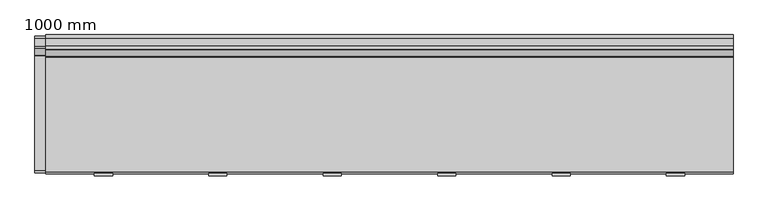
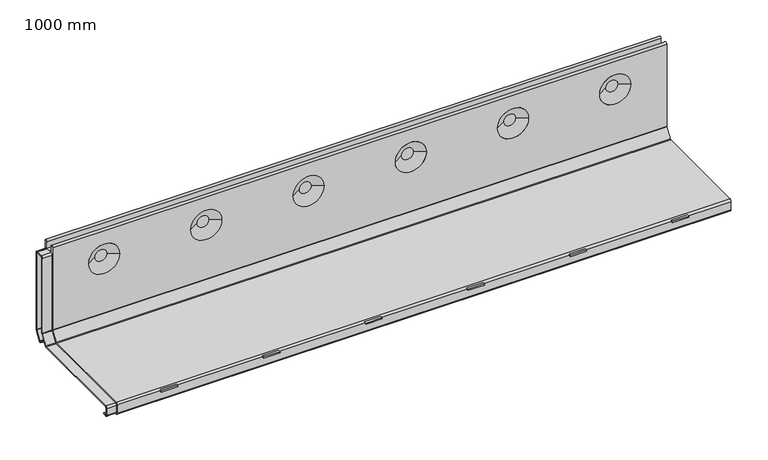
"""IFC4 building model written with IfcOpenShell, lengths in millimetres: proxy geometry, 1000 mm."""

import ifcopenshell
import ifcopenshell.guid

model = None  # the IFC model being written
_history = None  # IfcOwnerHistory: only IFC2X3 demands one
_inside = {}  # id of a spatial element -> (the spatial element, [elements in it])
_under = {}  # id of a project, library or spatial element -> (it, [spatial elements below it])
_declared = {}  # id of a project -> (the project, [libraries it declares])
_typed = {}  # id of a type object -> (the type object, [elements of that type])
_made_of = {}  # id of a material, layer set ... -> (it, [elements and type objects made of it])


def new_model(schema):
    """Start an empty IFC model of exactly this schema.

    Asked for "IFC4X3", IfcOpenShell would pick the latest addendum, in which some entities
    have other attributes; the version numbers below select the first issue.
    IFC2X3 requires an IfcOwnerHistory on every rooted entity: one is made here for all.
    """
    global model, _history
    if schema == "IFC4X3":
        model = ifcopenshell.file(schema_version=(4, 3, 0, 0))
    else:
        model = ifcopenshell.file(schema=schema)
    _inside.clear()
    _under.clear()
    _declared.clear()
    _typed.clear()
    _made_of.clear()
    _history = None
    if model.schema == "IFC2X3":
        org = make("IfcOrganization", Name="unknown")
        user = make(
            "IfcPersonAndOrganization",
            ThePerson=make("IfcPerson", FamilyName="unknown"),
            TheOrganization=org,
        )
        app = make(
            "IfcApplication",
            ApplicationDeveloper=org,
            Version="unknown",
            ApplicationFullName="unknown",
            ApplicationIdentifier="unknown",
        )
        _history = make(
            "IfcOwnerHistory",
            OwningUser=user,
            OwningApplication=app,
            ChangeAction="ADDED",
            CreationDate=0,
        )
    return model


def make(cls, **values):
    """One entity of the class cls with the attributes given. An attribute that is None is left unset."""
    return model.create_entity(
        cls, **{name: value for name, value in values.items() if value is not None}
    )


def rooted(cls, **values):
    """An entity with a GlobalId (a new one), such as an element, a storey or a relation."""
    return make(cls, GlobalId=ifcopenshell.guid.new(), OwnerHistory=_history, **values)


def si_unit(unit_type, name, prefix=None):
    """IfcSIUnit, for example si_unit("LENGTHUNIT", "METRE", prefix="MILLI")."""
    return make("IfcSIUnit", UnitType=unit_type, Prefix=prefix, Name=name)


def assignment(units):
    """IfcUnitAssignment: the units of a project."""
    return None if units is None else make("IfcUnitAssignment", Units=units)


def point(xyz):
    """IfcCartesianPoint."""
    return None if xyz is None else make("IfcCartesianPoint", Coordinates=xyz)


def direction(xyz):
    """IfcDirection."""
    return None if xyz is None else make("IfcDirection", DirectionRatios=xyz)


def frame(location, z_axis=None, x_axis=None):
    """IfcAxis2Placement3D, a coordinate frame: its origin and axes. An axis left out is left unset."""
    return make(
        "IfcAxis2Placement3D",
        Location=point(location),
        Axis=direction(z_axis),
        RefDirection=direction(x_axis),
    )


def frame_2d(location, x_axis=None):
    """IfcAxis2Placement2D, a coordinate frame in the plane: its origin and x axis."""
    return make(
        "IfcAxis2Placement2D", Location=point(location), RefDirection=direction(x_axis)
    )


def origin():
    """The frame at (0, 0, 0) with its axes left unset."""
    return frame((0.0, 0.0, 0.0))


def place(relative_to, where):
    """IfcLocalPlacement: puts the frame where relative to a parent placement (None: the world)."""
    return make(
        "IfcLocalPlacement", PlacementRelTo=relative_to, RelativePlacement=where
    )


def context(
    kind, dimensions, precision=None, world=None, true_north=None, identifier=None
):
    """IfcGeometricRepresentationContext, for example the 3D "Model" context."""
    return make(
        "IfcGeometricRepresentationContext",
        ContextIdentifier=identifier,
        ContextType=kind,
        CoordinateSpaceDimension=dimensions,
        Precision=precision,
        WorldCoordinateSystem=world,
        TrueNorth=true_north,
    )


def project(units=None, contexts=None):
    """IfcProject with its units and contexts."""
    return rooted(
        "IfcProject",
        Name="project",
        RepresentationContexts=contexts,
        UnitsInContext=assignment(units),
    )


def spatial(cls, under=None, at=None, **own):
    """A site, building, storey or space (cls), placed at a placement, below another one or the project."""
    s = rooted(cls, ObjectPlacement=at, **own)
    if under is not None:
        _under.setdefault(under.id(), (under, []))[1].append(s)
    return s


def polyline(points):
    """IfcPolyline through the points."""
    return make("IfcPolyline", Points=[point(p) for p in points])


def circle_curve(where, radius):
    """IfcCircle in the frame where."""
    return make("IfcCircle", Position=where, Radius=radius)


def trimmed(basis, trim1, trim2, sense, master):
    """IfcTrimmedCurve: the piece of a basis curve between two trims."""
    return make(
        "IfcTrimmedCurve",
        BasisCurve=basis,
        Trim1=trim1,
        Trim2=trim2,
        SenseAgreement=sense,
        MasterRepresentation=master,
    )


def segment(curve, same_sense, transition):
    """IfcCompositeCurveSegment."""
    return make(
        "IfcCompositeCurveSegment",
        Transition=transition,
        SameSense=same_sense,
        ParentCurve=curve,
    )


def composite_curve(segments, self_intersect=None):
    """IfcCompositeCurve: segments joined end to end."""
    return make("IfcCompositeCurve", Segments=segments, SelfIntersect=self_intersect)


def outline(outer, holes=None, kind="AREA"):
    """IfcArbitraryClosedProfileDef: a profile drawn as a closed curve; with holes, ...WithVoids."""
    if holes is None:
        return make("IfcArbitraryClosedProfileDef", ProfileType=kind, OuterCurve=outer)
    return make(
        "IfcArbitraryProfileDefWithVoids",
        ProfileType=kind,
        OuterCurve=outer,
        InnerCurves=holes,
    )


def extrude(swept, where, along, depth):
    """IfcExtrudedAreaSolid: the profile swept, set in the frame where, extruded along a direction by depth."""
    return make(
        "IfcExtrudedAreaSolid",
        SweptArea=swept,
        Position=where,
        ExtrudedDirection=direction(along),
        Depth=depth,
    )


def shape(context_of_items, identifier, shape_type, items):
    """IfcShapeRepresentation: the items that make up one representation, for example the "Body"."""
    return make(
        "IfcShapeRepresentation",
        ContextOfItems=context_of_items,
        RepresentationIdentifier=identifier,
        RepresentationType=shape_type,
        Items=items,
    )


def source(mapping_origin, context_of_items, identifier, shape_type, items):
    """IfcRepresentationMap: a shape defined once, which mapped items show again and again."""
    return make(
        "IfcRepresentationMap",
        MappingOrigin=mapping_origin,
        MappedRepresentation=shape(context_of_items, identifier, shape_type, items),
    )


def transform(
    local_origin,
    x_axis=None,
    y_axis=None,
    z_axis=None,
    scale=None,
    scale2=None,
    scale3=None,
    uniform=True,
):
    """IfcCartesianTransformationOperator3D, or its non-uniform kind. x_axis, y_axis, z_axis: its Axis1, 2, 3."""
    if uniform:
        return make(
            "IfcCartesianTransformationOperator3D",
            Axis1=direction(x_axis),
            Axis2=direction(y_axis),
            LocalOrigin=point(local_origin),
            Scale=scale,
            Axis3=direction(z_axis),
        )
    return make(
        "IfcCartesianTransformationOperator3DnonUniform",
        Axis1=direction(x_axis),
        Axis2=direction(y_axis),
        LocalOrigin=point(local_origin),
        Scale=scale,
        Axis3=direction(z_axis),
        Scale2=scale2,
        Scale3=scale3,
    )


def mapped(mapping_source, mapping_target):
    """IfcMappedItem: shows the shape of a source again, moved by a transform."""
    return make(
        "IfcMappedItem", MappingSource=mapping_source, MappingTarget=mapping_target
    )


def made_of(thing, what):
    """Note that an element or type object is made of a material, layer set ...; save() writes the relation."""
    if what is not None:
        _made_of.setdefault(what.id(), (what, []))[1].append(thing)
    return thing


def element(
    cls,
    number,
    at=None,
    inside=None,
    cuts=None,
    type_object=None,
    material=None,
    context=None,
    identifier="Body",
    shape_type=None,
    held_by="IfcProductDefinitionShape",
    body=None,
    shapes=None,
    **own,
):
    """One element of the class cls, such as IfcWall. Its Tag is "e" and its number.

    at: its placement. inside: the storey or other place that contains it. cuts: it is an
    opening in that element (IfcRelVoidsElement). A single representation is given by context,
    identifier, shape_type and body (its items); several are given by shapes. held_by: the class
    of the entity that holds the representations. save() writes the other relations.
    """
    e = rooted(cls, Tag="e%d" % number, ObjectPlacement=at, **own)
    if body is not None:
        shapes = [shape(context, identifier, shape_type, body)]
    if shapes is not None:
        e.Representation = make(held_by, Representations=shapes)
    if inside is not None:
        _inside.setdefault(inside.id(), (inside, []))[1].append(e)
    if cuts is not None:
        rooted(
            "IfcRelVoidsElement", RelatingBuildingElement=cuts, RelatedOpeningElement=e
        )
    if type_object is not None:
        _typed.setdefault(type_object.id(), (type_object, []))[1].append(e)
    return made_of(e, material)


def aggregate(whole, parts):
    """IfcRelAggregates: a whole, such as a stair, and the parts it consists of."""
    return rooted("IfcRelAggregates", RelatingObject=whole, RelatedObjects=parts)


def save(model, path):
    """Write the relations noted so far, then the file.

    IfcRelAggregates (storeys below a building ...), IfcRelContainedInSpatialStructure (elements
    in a storey), IfcRelDefinesByType, IfcRelAssociatesMaterial and IfcRelDeclares: one each for
    every whole, place, type object, material and project.
    """
    for whole, parts in _under.values():
        aggregate(whole, parts)
    for where, things in _inside.values():
        rooted(
            "IfcRelContainedInSpatialStructure",
            RelatedElements=things,
            RelatingStructure=where,
        )
    for kind, things in _typed.values():
        rooted("IfcRelDefinesByType", RelatedObjects=things, RelatingType=kind)
    for what, things in _made_of.values():
        rooted("IfcRelAssociatesMaterial", RelatedObjects=things, RelatingMaterial=what)
    for by, libraries in _declared.values():
        rooted("IfcRelDeclares", RelatingContext=by, RelatedDefinitions=libraries)
    model.write(path)


def plane_surface(at):
    """IfcPlane: the flat surface through the origin of the frame at, square to its z axis."""
    return make("IfcPlane", Position=at)


def cylinder_surface(at, radius):
    """IfcCylindricalSurface: all points at the distance radius from the z axis of the frame at."""
    return make("IfcCylindricalSurface", Position=at, Radius=radius)


def revolved_surface(curve, axis_point, axis_direction):
    """IfcSurfaceOfRevolution: the curve turned about the line through axis_point along axis_direction."""
    return make(
        "IfcSurfaceOfRevolution",
        SweptCurve=make("IfcArbitraryOpenProfileDef", ProfileType="CURVE", Curve=curve),
        AxisPosition=make("IfcAxis1Placement", Location=point(axis_point), Axis=direction(axis_direction)),
    )


def advanced_brep(points, edges, surfaces, faces):
    """IfcAdvancedBrep: a solid bounded by faces that lie on surfaces and meet in shared edges.

    An edge is (start, end): straight between two places in points (the first is 0);
    or (start, end, curve); or (start, end, curve, False) where it runs against its curve.
    A face is (place in surfaces, loops), or (place, loops, False) where it looks against
    its surface's normal. A loop lists edges by number (the first is 1), with a minus sign
    where the edge is run from its end to its start. The first loop is the outer one.
    """
    corners = [point(p) for p in points]
    vertices = [make("IfcVertexPoint", VertexGeometry=c) for c in corners]
    made = []
    for start, end, *more in edges:
        made.append(
            make(
                "IfcEdgeCurve",
                EdgeStart=vertices[start],
                EdgeEnd=vertices[end],
                EdgeGeometry=more[0] if more else make("IfcPolyline", Points=[corners[start], corners[end]]),
                SameSense=more[1] if len(more) > 1 else True,
            )
        )
    hull = []
    for where, loops, *sense in faces:
        bounds = []
        for j, loop in enumerate(loops):
            ring = [make("IfcOrientedEdge", EdgeElement=made[abs(k) - 1], Orientation=k > 0) for k in loop]
            bounds.append(
                make(
                    "IfcFaceOuterBound" if j == 0 else "IfcFaceBound",
                    Bound=make("IfcEdgeLoop", EdgeList=ring),
                    Orientation=True,
                )
            )
        hull.append(make("IfcAdvancedFace", Bounds=bounds, FaceSurface=surfaces[where], SameSense=sense[0] if sense else True))
    return make("IfcAdvancedBrep", Outer=make("IfcClosedShell", CfsFaces=hull))


def proxy_1000_mm_56d2d7e8(model_context):
    return source(origin(), model_context, "Body", "SolidModel", [
        extrude(outline(polyline([(734.75, -77.0), (732.75, -77.0), (732.75, 69.0), (734.75, 69.0), (734.75, -77.0)])), frame((0.0, 0.0, -28.5), z_axis=(0.0, 0.0, 1.0), x_axis=(1.0, 0.0, 0.0)), (0.0, 0.0, 1.0), 9.5),
        extrude(outline(polyline([(766.75, -77.0), (764.75, -77.0), (764.75, 69.0), (766.75, 69.0), (766.75, -77.0)])), frame((0.0, 0.0, -28.5), z_axis=(0.0, 0.0, 1.0), x_axis=(1.0, 0.0, 0.0)), (0.0, 0.0, 1.0), 9.5),
        extrude(outline(polyline([(763.0, -103.0), (736.5, -103.0), (736.5, -95.5), (763.0, -95.5), (763.0, -103.0)])), frame((0.0, 0.0, -3.6940506), z_axis=(0.0, 0.0, 1.0), x_axis=(1.0, 0.0, 0.0)), (0.0, 0.0, 1.0), 2.1940506),
        extrude(outline(polyline([(568.25, -77.0), (566.25, -77.0), (566.25, 69.0), (568.25, 69.0), (568.25, -77.0)])), frame((0.0, 0.0, -28.5), z_axis=(0.0, 0.0, 1.0), x_axis=(1.0, 0.0, 0.0)), (0.0, 0.0, 1.0), 9.5),
        extrude(outline(polyline([(600.25, -77.0), (598.25, -77.0), (598.25, 69.0), (600.25, 69.0), (600.25, -77.0)])), frame((0.0, 0.0, -28.5), z_axis=(0.0, 0.0, 1.0), x_axis=(1.0, 0.0, 0.0)), (0.0, 0.0, 1.0), 9.5),
        extrude(outline(polyline([(596.5, -103.0), (570.0, -103.0), (570.0, -95.5), (596.5, -95.5), (596.5, -103.0)])), frame((0.0, 0.0, -3.6940506), z_axis=(0.0, 0.0, 1.0), x_axis=(1.0, 0.0, 0.0)), (0.0, 0.0, 1.0), 2.1940506),
        extrude(outline(polyline([(401.75, -77.0), (399.75, -77.0), (399.75, 69.0), (401.75, 69.0), (401.75, -77.0)])), frame((0.0, 0.0, -28.5), z_axis=(0.0, 0.0, 1.0), x_axis=(1.0, 0.0, 0.0)), (0.0, 0.0, 1.0), 9.5),
        extrude(outline(polyline([(433.75, -77.0), (431.75, -77.0), (431.75, 69.0), (433.75, 69.0), (433.75, -77.0)])), frame((0.0, 0.0, -28.5), z_axis=(0.0, 0.0, 1.0), x_axis=(1.0, 0.0, 0.0)), (0.0, 0.0, 1.0), 9.5),
        extrude(outline(polyline([(430.0, -103.0), (403.5, -103.0), (403.5, -95.5), (430.0, -95.5), (430.0, -103.0)])), frame((0.0, 0.0, -3.6940506), z_axis=(0.0, 0.0, 1.0), x_axis=(1.0, 0.0, 0.0)), (0.0, 0.0, 1.0), 2.1940506),
        extrude(outline(polyline([(235.25, -77.0), (233.25, -77.0), (233.25, 69.0), (235.25, 69.0), (235.25, -77.0)])), frame((0.0, 0.0, -28.5), z_axis=(0.0, 0.0, 1.0), x_axis=(1.0, 0.0, 0.0)), (0.0, 0.0, 1.0), 9.5),
        extrude(outline(polyline([(267.25, -77.0), (265.25, -77.0), (265.25, 69.0), (267.25, 69.0), (267.25, -77.0)])), frame((0.0, 0.0, -28.5), z_axis=(0.0, 0.0, 1.0), x_axis=(1.0, 0.0, 0.0)), (0.0, 0.0, 1.0), 9.5),
        extrude(outline(polyline([(263.5, -103.0), (237.0, -103.0), (237.0, -95.5), (263.5, -95.5), (263.5, -103.0)])), frame((0.0, 0.0, -3.6940506), z_axis=(0.0, 0.0, 1.0), x_axis=(1.0, 0.0, 0.0)), (0.0, 0.0, 1.0), 2.1940506),
        extrude(outline(polyline([(901.25, -77.0), (899.25, -77.0), (899.25, 69.0), (901.25, 69.0), (901.25, -77.0)])), frame((0.0, 0.0, -28.5), z_axis=(0.0, 0.0, 1.0), x_axis=(1.0, 0.0, 0.0)), (0.0, 0.0, 1.0), 9.5),
        extrude(outline(polyline([(933.25, -77.0), (931.25, -77.0), (931.25, 69.0), (933.25, 69.0), (933.25, -77.0)])), frame((0.0, 0.0, -28.5), z_axis=(0.0, 0.0, 1.0), x_axis=(1.0, 0.0, 0.0)), (0.0, 0.0, 1.0), 9.5),
        extrude(outline(polyline([(929.5, -103.0), (903.0, -103.0), (903.0, -95.5), (929.5, -95.5), (929.5, -103.0)])), frame((0.0, 0.0, -3.6940506), z_axis=(0.0, 0.0, 1.0), x_axis=(1.0, 0.0, 0.0)), (0.0, 0.0, 1.0), 2.1940506),
        extrude(outline(polyline([(68.75, -77.0), (66.75, -77.0), (66.75, 69.0), (68.75, 69.0), (68.75, -77.0)])), frame((0.0, 0.0, -28.5), z_axis=(0.0, 0.0, 1.0), x_axis=(1.0, 0.0, 0.0)), (0.0, 0.0, 1.0), 9.5),
        extrude(outline(polyline([(100.75, -77.0), (98.75, -77.0), (98.75, 69.0), (100.75, 69.0), (100.75, -77.0)])), frame((0.0, 0.0, -28.5), z_axis=(0.0, 0.0, 1.0), x_axis=(1.0, 0.0, 0.0)), (0.0, 0.0, 1.0), 9.5),
        extrude(outline(polyline([(97.0, -103.0), (70.5, -103.0), (70.5, -95.5), (97.0, -95.5), (97.0, -103.0)])), frame((0.0, 0.0, -3.6940506), z_axis=(0.0, 0.0, 1.0), x_axis=(1.0, 0.0, 0.0)), (0.0, 0.0, 1.0), 2.1940506),
        advanced_brep(
        [(0.0, -83.5, -20.5), (0.0, -97.0, -20.5), (0.0, -100.0, -17.5), (0.0, -100.0, -3.0), (0.0, -97.0, 0.0), (0.0, 70.3541436, 0.0), (0.0, 71.6192308, 0.6940506), (0.0, 81.2650872, 15.8350122), (0.0, 81.5, 16.6409616), (0.0, 81.5, 157.745), (0.0, 86.01, 157.745), (0.0, 86.01, 146.8), (0.0, 97.99, 146.8), (0.0, 97.99, 157.7453869), (0.0, 102.5, 157.7453869), (0.0, 102.5, 11.767597), (0.0, 102.0301743, 10.1556982), (0.0, 92.2913074, -5.1312607), (0.0, 92.0563946, -5.9372101), (0.0, 92.0563946, -17.5), (0.0, 89.0563946, -20.5), (0.0, 75.0563946, -20.5), (0.0, 75.0563946, -19.0), (0.0, -83.5, -19.0), (1000.0, -83.5, -20.5), (1000.0, -83.5, -19.0), (1000.0, 75.0563946, -19.0), (1000.0, 75.0563946, -20.5), (1000.0, 89.0563946, -20.5), (1000.0, 92.0563946, -17.5), (1000.0, 92.0563946, -5.9372101), (1000.0, 92.2913074, -5.1312607), (1000.0, 102.0301743, 10.1556982), (1000.0, 102.5, 11.767597), (1000.0, 102.5, 157.7453869), (1000.0, 97.99, 157.7453869), (1000.0, 97.99, 146.8), (1000.0, 86.01, 146.8), (1000.0, 86.01, 157.745), (1000.0, 81.5, 157.745), (1000.0, 81.5, 16.6409616), (1000.0, 81.2650872, 15.8350122), (1000.0, 71.6192308, 0.6940506), (1000.0, 70.3541436, 0.0), (1000.0, -97.0, 0.0), (1000.0, -100.0, -3.0), (1000.0, -100.0, -17.5), (1000.0, -97.0, -20.5), (58.4993164, 102.5, 109.3137619), (109.0006836, 102.5, 109.3137619), (890.9993164, 102.5, 109.3137619), (941.5006836, 102.5, 109.3137619), (224.9993164, 102.5, 109.3137619), (275.5006836, 102.5, 109.3137619), (391.4993164, 102.5, 109.3137619), (442.0006836, 102.5, 109.3137619), (557.9993164, 102.5, 109.3137619), (608.5006836, 102.5, 109.3137619), (724.4993164, 102.5, 109.3137619), (775.0006836, 102.5, 109.3137619), (109.0006836, 81.5, 109.3137619), (58.4993164, 81.5, 109.3137619), (941.5006836, 81.5, 109.3137619), (890.9993164, 81.5, 109.3137619), (275.5006836, 81.5, 109.3137619), (224.9993164, 81.5, 109.3137619), (442.0006836, 81.5, 109.3137619), (391.4993164, 81.5, 109.3137619), (608.5006836, 81.5, 109.3137619), (557.9993164, 81.5, 109.3137619), (775.0006836, 81.5, 109.3137619), (724.4993164, 81.5, 109.3137619), (74.1699511, 91.1172432, 109.3137619), (93.3300489, 91.1172432, 109.3137619), (906.6699511, 91.1172432, 109.3137619), (925.8300489, 91.1172432, 109.3137619), (240.6699511, 91.1172432, 109.3137619), (259.8300489, 91.1172432, 109.3137619), (407.1699511, 91.1172432, 109.3137619), (426.3300489, 91.1172432, 109.3137619), (573.6699511, 91.1172432, 109.3137619), (592.8300489, 91.1172432, 109.3137619), (740.1699511, 91.1172432, 109.3137619), (759.3300489, 91.1172432, 109.3137619), (74.1699511, 92.8827568, 109.3137619), (93.3300489, 92.8827568, 109.3137619), (906.6699511, 92.8827568, 109.3137619), (925.8300489, 92.8827568, 109.3137619), (240.6699511, 92.8827568, 109.3137619), (259.8300489, 92.8827568, 109.3137619), (407.1699511, 92.8827568, 109.3137619), (426.3300489, 92.8827568, 109.3137619), (573.6699511, 92.8827568, 109.3137619), (592.8300489, 92.8827568, 109.3137619), (740.1699511, 92.8827568, 109.3137619), (759.3300489, 92.8827568, 109.3137619)],
        [
            (0, 1),
            (1, 2, circle_curve(frame((0.0, -97.0, -17.5), z_axis=(-1.0, 0.0, 0.0), x_axis=(0.0, 1.0, 0.0)), 3.0)),
            (2, 3),
            (3, 4, circle_curve(frame((0.0, -97.0, -3.0), z_axis=(-1.0, 0.0, 0.0), x_axis=(0.0, 1.0, 0.0)), 3.0)),
            (4, 5),
            (5, 6, circle_curve(frame((0.0, 70.3541436, 1.5), z_axis=(1.0, 0.0, 0.0), x_axis=(0.0, 1.0, 0.0)), 1.5)),
            (6, 7),
            (7, 8, circle_curve(frame((0.0, 80.0, 16.6409616), z_axis=(1.0, 0.0, 0.0), x_axis=(0.0, 1.0, 0.0)), 1.5)),
            (8, 9),
            (9, 10, circle_curve(frame((0.0, 83.755, 157.745), z_axis=(-1.0, 0.0, 0.0), x_axis=(0.0, 1.0, 0.0)), 2.255)),
            (10, 11),
            (11, 12),
            (12, 13),
            (13, 14, circle_curve(frame((0.0, 100.245, 157.7453869), z_axis=(-1.0, 0.0, 0.0), x_axis=(0.0, 1.0, 0.0)), 2.255)),
            (14, 15),
            (15, 16, circle_curve(frame((0.0, 99.5, 11.767597), z_axis=(-1.0, 0.0, 0.0), x_axis=(0.0, 1.0, 0.0)), 3.0)),
            (16, 17),
            (17, 18, circle_curve(frame((0.0, 93.5563946, -5.9372101), z_axis=(1.0, 0.0, 0.0), x_axis=(0.0, 1.0, 0.0)), 1.5)),
            (18, 19),
            (19, 20, circle_curve(frame((0.0, 89.0563946, -17.5), z_axis=(-1.0, 0.0, 0.0), x_axis=(0.0, 1.0, 0.0)), 3.0)),
            (20, 21),
            (21, 22),
            (22, 23),
            (23, 0),
            (24, 25),
            (25, 26),
            (26, 27),
            (27, 28),
            (28, 29, circle_curve(frame((1000.0, 89.0563946, -17.5), z_axis=(1.0, 0.0, 0.0), x_axis=(0.0, 1.0, 0.0)), 3.0)),
            (29, 30),
            (30, 31, circle_curve(frame((1000.0, 93.5563946, -5.9372101), z_axis=(-1.0, 0.0, 0.0), x_axis=(0.0, 1.0, 0.0)), 1.5)),
            (31, 32),
            (32, 33, circle_curve(frame((1000.0, 99.5, 11.767597), z_axis=(1.0, 0.0, 0.0), x_axis=(0.0, 1.0, 0.0)), 3.0)),
            (33, 34),
            (34, 35, circle_curve(frame((1000.0, 100.245, 157.7453869), z_axis=(1.0, 0.0, 0.0), x_axis=(0.0, 1.0, 0.0)), 2.255)),
            (35, 36),
            (36, 37),
            (37, 38),
            (38, 39, circle_curve(frame((1000.0, 83.755, 157.745), z_axis=(1.0, 0.0, 0.0), x_axis=(0.0, 1.0, 0.0)), 2.255)),
            (39, 40),
            (40, 41, circle_curve(frame((1000.0, 80.0, 16.6409616), z_axis=(-1.0, 0.0, 0.0), x_axis=(0.0, 1.0, 0.0)), 1.5)),
            (41, 42),
            (42, 43, circle_curve(frame((1000.0, 70.3541436, 1.5), z_axis=(-1.0, 0.0, 0.0), x_axis=(0.0, 1.0, 0.0)), 1.5)),
            (43, 44),
            (44, 45, circle_curve(frame((1000.0, -97.0, -3.0), z_axis=(1.0, 0.0, 0.0), x_axis=(0.0, 1.0, 0.0)), 3.0)),
            (45, 46),
            (46, 47, circle_curve(frame((1000.0, -97.0, -17.5), z_axis=(1.0, 0.0, 0.0), x_axis=(0.0, 1.0, 0.0)), 3.0)),
            (47, 24),
            (21, 27),
            (26, 22),
            (20, 28),
            (19, 29),
            (18, 30),
            (17, 31),
            (16, 32),
            (15, 33),
            (14, 34),
            (48, 49, circle_curve(frame((83.75, 102.5, 109.3137619), z_axis=(0.0, -1.0, 0.0), x_axis=(1.0, 0.0, 0.0)), 25.2506836)),
            (49, 48, circle_curve(frame((83.75, 102.5, 109.3137619), z_axis=(0.0, -1.0, 0.0), x_axis=(-1.0, 0.0, 0.0)), 25.2506836)),
            (50, 51, circle_curve(frame((916.25, 102.5, 109.3137619), z_axis=(0.0, -1.0, 0.0), x_axis=(1.0, 0.0, 0.0)), 25.2506836)),
            (51, 50, circle_curve(frame((916.25, 102.5, 109.3137619), z_axis=(0.0, -1.0, 0.0), x_axis=(-1.0, 0.0, 0.0)), 25.2506836)),
            (52, 53, circle_curve(frame((250.25, 102.5, 109.3137619), z_axis=(0.0, -1.0, 0.0), x_axis=(1.0, 0.0, 0.0)), 25.2506836)),
            (53, 52, circle_curve(frame((250.25, 102.5, 109.3137619), z_axis=(0.0, -1.0, 0.0), x_axis=(-1.0, 0.0, 0.0)), 25.2506836)),
            (54, 55, circle_curve(frame((416.75, 102.5, 109.3137619), z_axis=(0.0, -1.0, 0.0), x_axis=(1.0, 0.0, 0.0)), 25.2506836)),
            (55, 54, circle_curve(frame((416.75, 102.5, 109.3137619), z_axis=(0.0, -1.0, 0.0), x_axis=(-1.0, 0.0, 0.0)), 25.2506836)),
            (56, 57, circle_curve(frame((583.25, 102.5, 109.3137619), z_axis=(0.0, -1.0, 0.0), x_axis=(1.0, 0.0, 0.0)), 25.2506836)),
            (57, 56, circle_curve(frame((583.25, 102.5, 109.3137619), z_axis=(0.0, -1.0, 0.0), x_axis=(-1.0, 0.0, 0.0)), 25.2506836)),
            (58, 59, circle_curve(frame((749.75, 102.5, 109.3137619), z_axis=(0.0, -1.0, 0.0), x_axis=(1.0, 0.0, 0.0)), 25.2506836)),
            (59, 58, circle_curve(frame((749.75, 102.5, 109.3137619), z_axis=(0.0, -1.0, 0.0), x_axis=(-1.0, 0.0, 0.0)), 25.2506836)),
            (13, 35),
            (12, 36),
            (11, 37),
            (10, 38),
            (9, 39),
            (8, 40),
            (60, 61, circle_curve(frame((83.75, 81.5, 109.3137619), z_axis=(0.0, 1.0, 0.0), x_axis=(-1.0, 0.0, 0.0)), 25.2506836)),
            (61, 60, circle_curve(frame((83.75, 81.5, 109.3137619), z_axis=(0.0, 1.0, 0.0), x_axis=(1.0, 0.0, 0.0)), 25.2506836)),
            (62, 63, circle_curve(frame((916.25, 81.5, 109.3137619), z_axis=(0.0, 1.0, 0.0), x_axis=(-1.0, 0.0, 0.0)), 25.2506836)),
            (63, 62, circle_curve(frame((916.25, 81.5, 109.3137619), z_axis=(0.0, 1.0, 0.0), x_axis=(1.0, 0.0, 0.0)), 25.2506836)),
            (64, 65, circle_curve(frame((250.25, 81.5, 109.3137619), z_axis=(0.0, 1.0, 0.0), x_axis=(-1.0, 0.0, 0.0)), 25.2506836)),
            (65, 64, circle_curve(frame((250.25, 81.5, 109.3137619), z_axis=(0.0, 1.0, 0.0), x_axis=(1.0, 0.0, 0.0)), 25.2506836)),
            (66, 67, circle_curve(frame((416.75, 81.5, 109.3137619), z_axis=(0.0, 1.0, 0.0), x_axis=(-1.0, 0.0, 0.0)), 25.2506836)),
            (67, 66, circle_curve(frame((416.75, 81.5, 109.3137619), z_axis=(0.0, 1.0, 0.0), x_axis=(1.0, 0.0, 0.0)), 25.2506836)),
            (68, 69, circle_curve(frame((583.25, 81.5, 109.3137619), z_axis=(0.0, 1.0, 0.0), x_axis=(-1.0, 0.0, 0.0)), 25.2506836)),
            (69, 68, circle_curve(frame((583.25, 81.5, 109.3137619), z_axis=(0.0, 1.0, 0.0), x_axis=(1.0, 0.0, 0.0)), 25.2506836)),
            (70, 71, circle_curve(frame((749.75, 81.5, 109.3137619), z_axis=(0.0, 1.0, 0.0), x_axis=(-1.0, 0.0, 0.0)), 25.2506836)),
            (71, 70, circle_curve(frame((749.75, 81.5, 109.3137619), z_axis=(0.0, 1.0, 0.0), x_axis=(1.0, 0.0, 0.0)), 25.2506836)),
            (7, 41),
            (6, 42),
            (5, 43),
            (4, 44),
            (3, 45),
            (2, 46),
            (1, 47),
            (0, 24),
            (23, 25),
            (72, 73, circle_curve(frame((83.75, 91.1172432, 109.3137619), z_axis=(0.0, -1.0, 0.0), x_axis=(-1.0, 0.0, 0.0)), 9.5800489)),
            (73, 72, circle_curve(frame((83.75, 91.1172432, 109.3137619), z_axis=(0.0, -1.0, 0.0), x_axis=(1.0, 0.0, 0.0)), 9.5800489)),
            (72, 61),
            (60, 73),
            (74, 75, circle_curve(frame((916.25, 91.1172432, 109.3137619), z_axis=(0.0, -1.0, 0.0), x_axis=(-1.0, 0.0, 0.0)), 9.5800489)),
            (75, 74, circle_curve(frame((916.25, 91.1172432, 109.3137619), z_axis=(0.0, -1.0, 0.0), x_axis=(1.0, 0.0, 0.0)), 9.5800489)),
            (74, 63),
            (62, 75),
            (76, 77, circle_curve(frame((250.25, 91.1172432, 109.3137619), z_axis=(0.0, -1.0, 0.0), x_axis=(-1.0, 0.0, 0.0)), 9.5800489)),
            (77, 76, circle_curve(frame((250.25, 91.1172432, 109.3137619), z_axis=(0.0, -1.0, 0.0), x_axis=(1.0, 0.0, 0.0)), 9.5800489)),
            (76, 65),
            (64, 77),
            (78, 79, circle_curve(frame((416.75, 91.1172432, 109.3137619), z_axis=(0.0, -1.0, 0.0), x_axis=(-1.0, 0.0, 0.0)), 9.5800489)),
            (79, 78, circle_curve(frame((416.75, 91.1172432, 109.3137619), z_axis=(0.0, -1.0, 0.0), x_axis=(1.0, 0.0, 0.0)), 9.5800489)),
            (78, 67),
            (66, 79),
            (80, 81, circle_curve(frame((583.25, 91.1172432, 109.3137619), z_axis=(0.0, -1.0, 0.0), x_axis=(-1.0, 0.0, 0.0)), 9.5800489)),
            (81, 80, circle_curve(frame((583.25, 91.1172432, 109.3137619), z_axis=(0.0, -1.0, 0.0), x_axis=(1.0, 0.0, 0.0)), 9.5800489)),
            (80, 69),
            (68, 81),
            (82, 83, circle_curve(frame((749.75, 91.1172432, 109.3137619), z_axis=(0.0, -1.0, 0.0), x_axis=(-1.0, 0.0, 0.0)), 9.5800489)),
            (83, 82, circle_curve(frame((749.75, 91.1172432, 109.3137619), z_axis=(0.0, -1.0, 0.0), x_axis=(1.0, 0.0, 0.0)), 9.5800489)),
            (82, 71),
            (70, 83),
            (84, 85, circle_curve(frame((83.75, 92.8827568, 109.3137619), z_axis=(0.0, 1.0, 0.0), x_axis=(-1.0, 0.0, 0.0)), 9.5800489)),
            (85, 84, circle_curve(frame((83.75, 92.8827568, 109.3137619), z_axis=(0.0, 1.0, 0.0), x_axis=(1.0, 0.0, 0.0)), 9.5800489)),
            (85, 49),
            (48, 84),
            (86, 87, circle_curve(frame((916.25, 92.8827568, 109.3137619), z_axis=(0.0, 1.0, 0.0), x_axis=(-1.0, 0.0, 0.0)), 9.5800489)),
            (87, 86, circle_curve(frame((916.25, 92.8827568, 109.3137619), z_axis=(0.0, 1.0, 0.0), x_axis=(1.0, 0.0, 0.0)), 9.5800489)),
            (87, 51),
            (50, 86),
            (88, 89, circle_curve(frame((250.25, 92.8827568, 109.3137619), z_axis=(0.0, 1.0, 0.0), x_axis=(-1.0, 0.0, 0.0)), 9.5800489)),
            (89, 88, circle_curve(frame((250.25, 92.8827568, 109.3137619), z_axis=(0.0, 1.0, 0.0), x_axis=(1.0, 0.0, 0.0)), 9.5800489)),
            (89, 53),
            (52, 88),
            (90, 91, circle_curve(frame((416.75, 92.8827568, 109.3137619), z_axis=(0.0, 1.0, 0.0), x_axis=(-1.0, 0.0, 0.0)), 9.5800489)),
            (91, 90, circle_curve(frame((416.75, 92.8827568, 109.3137619), z_axis=(0.0, 1.0, 0.0), x_axis=(1.0, 0.0, 0.0)), 9.5800489)),
            (91, 55),
            (54, 90),
            (92, 93, circle_curve(frame((583.25, 92.8827568, 109.3137619), z_axis=(0.0, 1.0, 0.0), x_axis=(-1.0, 0.0, 0.0)), 9.5800489)),
            (93, 92, circle_curve(frame((583.25, 92.8827568, 109.3137619), z_axis=(0.0, 1.0, 0.0), x_axis=(1.0, 0.0, 0.0)), 9.5800489)),
            (93, 57),
            (56, 92),
            (94, 95, circle_curve(frame((749.75, 92.8827568, 109.3137619), z_axis=(0.0, 1.0, 0.0), x_axis=(-1.0, 0.0, 0.0)), 9.5800489)),
            (95, 94, circle_curve(frame((749.75, 92.8827568, 109.3137619), z_axis=(0.0, 1.0, 0.0), x_axis=(1.0, 0.0, 0.0)), 9.5800489)),
            (95, 59),
            (58, 94),
        ],
        [
            plane_surface(frame((0.0, -83.5, -20.5), z_axis=(-1.0, 0.0, 0.0), x_axis=(0.0, 0.0, -1.0))),
            plane_surface(frame((1000.0, -83.5, -20.5), z_axis=(1.0, 0.0, 0.0), x_axis=(0.0, 0.0, 1.0))),
            plane_surface(frame((1000.0, 75.0563946, -19.0), z_axis=(0.0, -1.0, 0.0), x_axis=(-1.0, 0.0, 0.0))),
            plane_surface(frame((1000.0, 75.0563946, -20.5), z_axis=(0.0, 0.0, -1.0), x_axis=(-1.0, 0.0, 0.0))),
            cylinder_surface(frame((0.0, 89.0563946, -17.5), z_axis=(1.0, 0.0, 0.0), x_axis=(0.0, 1.0, 0.0)), 3.0),
            plane_surface(frame((1000.0, 92.0563946, -17.5), z_axis=(0.0, 1.0, 0.0), x_axis=(-1.0, 0.0, 0.0))),
            revolved_surface(polyline([(0.0, 95.0563946, -5.9372101), (1000.0, 95.0563946, -5.9372101)]), (0.0, 93.5563946, -5.9372101), (-1.0, 0.0, 0.0)),
            plane_surface(frame((1000.0, 92.2913074, -5.1312607), z_axis=(0.0, 0.8433914458128959, -0.5372996083468078), x_axis=(-1.0, 0.0, 0.0))),
            cylinder_surface(frame((0.0, 99.5, 11.767597), z_axis=(1.0, 0.0, 0.0), x_axis=(0.0, 1.0, 0.0)), 3.0),
            plane_surface(frame((1000.0, 102.5, 11.767597), z_axis=(0.0, 1.0, 0.0), x_axis=(-1.0, 0.0, 0.0))),
            cylinder_surface(frame((0.0, 100.245, 157.7453869), z_axis=(1.0, 0.0, 0.0), x_axis=(0.0, 1.0, 0.0)), 2.255),
            plane_surface(frame((1000.0, 97.99, 157.7453869), z_axis=(0.0, -1.0, 0.0), x_axis=(-1.0, 0.0, 0.0))),
            plane_surface(frame((1000.0, 97.99, 146.8), z_axis=(0.0, 0.0, 1.0), x_axis=(-1.0, 0.0, 0.0))),
            plane_surface(frame((1000.0, 86.01, 146.8), z_axis=(0.0, 1.0, 0.0), x_axis=(-1.0, 0.0, 0.0))),
            cylinder_surface(frame((0.0, 83.755, 157.745), z_axis=(1.0, 0.0, 0.0), x_axis=(0.0, 1.0, 0.0)), 2.255),
            plane_surface(frame((1000.0, 81.5, 157.745), z_axis=(0.0, -1.0, 0.0), x_axis=(-1.0, 0.0, 0.0))),
            revolved_surface(polyline([(0.0, 81.5, 16.6409616), (1000.0, 81.5, 16.6409616)]), (0.0, 80.0, 16.6409616), (-1.0, 0.0, 0.0)),
            plane_surface(frame((1000.0, 81.2650872, 15.8350122), z_axis=(0.0, -0.8433914458128839, 0.5372996083468266), x_axis=(-1.0, 0.0, 0.0))),
            revolved_surface(polyline([(0.0, 71.8541436, 1.5), (1000.0, 71.8541436, 1.5)]), (0.0, 70.3541436, 1.5), (-1.0, 0.0, 0.0)),
            plane_surface(frame((1000.0, 70.3541436, 0.0), z_axis=(0.0, 0.0, 1.0), x_axis=(-1.0, 0.0, 0.0))),
            cylinder_surface(frame((0.0, -97.0, -3.0), z_axis=(1.0, 0.0, 0.0), x_axis=(0.0, 1.0, 0.0)), 3.0),
            plane_surface(frame((1000.0, -100.0, -3.0), z_axis=(0.0, -1.0, 0.0), x_axis=(-1.0, 0.0, 0.0))),
            cylinder_surface(frame((0.0, -97.0, -17.5), z_axis=(1.0, 0.0, 0.0), x_axis=(0.0, 1.0, 0.0)), 3.0),
            plane_surface(frame((1000.0, -97.0, -20.5), z_axis=(0.0, 0.0, -1.0), x_axis=(-1.0, 0.0, 0.0))),
            plane_surface(frame((1000.0, -83.5, -20.5), z_axis=(0.0, 1.0, 0.0), x_axis=(-1.0, 0.0, 0.0))),
            plane_surface(frame((1000.0, -83.5, -19.0), z_axis=(0.0, 0.0, -1.0), x_axis=(-1.0, 0.0, 0.0))),
            plane_surface(frame((83.75, 91.1172432, 109.3137619), z_axis=(0.0, -1.0, 0.0), x_axis=(0.0, 0.0, -1.0))),
            revolved_surface(polyline([(58.4993164, 81.5, 109.3137619), (74.16995110122151, 91.1172432, 109.3137619)]), (83.75, 96.996626, 109.3137619), (0.0, -1.0, 0.0)),
            revolved_surface(polyline([(109.0006836, 81.5, 109.3137619), (93.33004889877849, 91.1172432, 109.3137619)]), (83.75, 96.996626, 109.3137619), (0.0, -1.0, 0.0)),
            plane_surface(frame((916.25, 91.1172432, 109.3137619), z_axis=(0.0, -1.0, 0.0), x_axis=(0.0, 0.0, -1.0))),
            revolved_surface(polyline([(890.9993164, 81.5, 109.3137619), (906.6699511012215, 91.1172432, 109.3137619)]), (916.25, 96.996626, 109.3137619), (0.0, -1.0, 0.0)),
            revolved_surface(polyline([(941.5006836, 81.5, 109.3137619), (925.8300488987785, 91.1172432, 109.3137619)]), (916.25, 96.996626, 109.3137619), (0.0, -1.0, 0.0)),
            plane_surface(frame((250.25, 91.1172432, 109.3137619), z_axis=(0.0, -1.0, 0.0), x_axis=(0.0, 0.0, -1.0))),
            revolved_surface(polyline([(224.9993164, 81.5, 109.3137619), (240.6699511012215, 91.1172432, 109.3137619)]), (250.25, 96.996626, 109.3137619), (0.0, -1.0, 0.0)),
            revolved_surface(polyline([(275.5006836, 81.5, 109.3137619), (259.8300488987785, 91.1172432, 109.3137619)]), (250.25, 96.996626, 109.3137619), (0.0, -1.0, 0.0)),
            plane_surface(frame((416.75, 91.1172432, 109.3137619), z_axis=(0.0, -1.0, 0.0), x_axis=(0.0, 0.0, -1.0))),
            revolved_surface(polyline([(391.4993164, 81.5, 109.3137619), (407.1699511012215, 91.1172432, 109.3137619)]), (416.75, 96.996626, 109.3137619), (0.0, -1.0, 0.0)),
            revolved_surface(polyline([(442.0006836, 81.5, 109.3137619), (426.3300488987785, 91.1172432, 109.3137619)]), (416.75, 96.996626, 109.3137619), (0.0, -1.0, 0.0)),
            plane_surface(frame((583.25, 91.1172432, 109.3137619), z_axis=(0.0, -1.0, 0.0), x_axis=(0.0, 0.0, -1.0))),
            revolved_surface(polyline([(557.9993164, 81.5, 109.3137619), (573.6699511012215, 91.1172432, 109.3137619)]), (583.25, 96.996626, 109.3137619), (0.0, -1.0, 0.0)),
            revolved_surface(polyline([(608.5006836, 81.5, 109.3137619), (592.8300488987785, 91.1172432, 109.3137619)]), (583.25, 96.996626, 109.3137619), (0.0, -1.0, 0.0)),
            plane_surface(frame((749.75, 91.1172432, 109.3137619), z_axis=(0.0, -1.0, 0.0), x_axis=(0.0, 0.0, -1.0))),
            revolved_surface(polyline([(724.4993164, 81.5, 109.3137619), (740.1699511012215, 91.1172432, 109.3137619)]), (749.75, 96.996626, 109.3137619), (0.0, -1.0, 0.0)),
            revolved_surface(polyline([(775.0006836, 81.5, 109.3137619), (759.3300488987785, 91.1172432, 109.3137619)]), (749.75, 96.996626, 109.3137619), (0.0, -1.0, 0.0)),
            plane_surface(frame((83.75, 92.8827568, 109.3137619), z_axis=(0.0, 1.0, 0.0), x_axis=(0.0, 0.0, 1.0))),
            revolved_surface(polyline([(109.0006836, 102.5, 109.3137619), (93.33004889877849, 92.8827568, 109.3137619)]), (83.75, 87.003374, 109.3137619), (0.0, 1.0, 0.0)),
            revolved_surface(polyline([(58.4993164, 102.5, 109.3137619), (74.16995110122151, 92.8827568, 109.3137619)]), (83.75, 87.003374, 109.3137619), (0.0, 1.0, 0.0)),
            plane_surface(frame((916.25, 92.8827568, 109.3137619), z_axis=(0.0, 1.0, 0.0), x_axis=(0.0, 0.0, 1.0))),
            revolved_surface(polyline([(941.5006836, 102.5, 109.3137619), (925.8300488987785, 92.8827568, 109.3137619)]), (916.25, 87.003374, 109.3137619), (0.0, 1.0, 0.0)),
            revolved_surface(polyline([(890.9993164, 102.5, 109.3137619), (906.6699511012215, 92.8827568, 109.3137619)]), (916.25, 87.003374, 109.3137619), (0.0, 1.0, 0.0)),
            plane_surface(frame((250.25, 92.8827568, 109.3137619), z_axis=(0.0, 1.0, 0.0), x_axis=(0.0, 0.0, 1.0))),
            revolved_surface(polyline([(275.5006836, 102.5, 109.3137619), (259.8300488987785, 92.8827568, 109.3137619)]), (250.25, 87.003374, 109.3137619), (0.0, 1.0, 0.0)),
            revolved_surface(polyline([(224.9993164, 102.5, 109.3137619), (240.6699511012215, 92.8827568, 109.3137619)]), (250.25, 87.003374, 109.3137619), (0.0, 1.0, 0.0)),
            plane_surface(frame((416.75, 92.8827568, 109.3137619), z_axis=(0.0, 1.0, 0.0), x_axis=(0.0, 0.0, 1.0))),
            revolved_surface(polyline([(442.0006836, 102.5, 109.3137619), (426.3300488987785, 92.8827568, 109.3137619)]), (416.75, 87.003374, 109.3137619), (0.0, 1.0, 0.0)),
            revolved_surface(polyline([(391.4993164, 102.5, 109.3137619), (407.1699511012215, 92.8827568, 109.3137619)]), (416.75, 87.003374, 109.3137619), (0.0, 1.0, 0.0)),
            plane_surface(frame((583.25, 92.8827568, 109.3137619), z_axis=(0.0, 1.0, 0.0), x_axis=(0.0, 0.0, 1.0))),
            revolved_surface(polyline([(608.5006836, 102.5, 109.3137619), (592.8300488987785, 92.8827568, 109.3137619)]), (583.25, 87.003374, 109.3137619), (0.0, 1.0, 0.0)),
            revolved_surface(polyline([(557.9993164, 102.5, 109.3137619), (573.6699511012215, 92.8827568, 109.3137619)]), (583.25, 87.003374, 109.3137619), (0.0, 1.0, 0.0)),
            plane_surface(frame((749.75, 92.8827568, 109.3137619), z_axis=(0.0, 1.0, 0.0), x_axis=(0.0, 0.0, 1.0))),
            revolved_surface(polyline([(775.0006836, 102.5, 109.3137619), (759.3300488987785, 92.8827568, 109.3137619)]), (749.75, 87.003374, 109.3137619), (0.0, 1.0, 0.0)),
            revolved_surface(polyline([(724.4993164, 102.5, 109.3137619), (740.1699511012215, 92.8827568, 109.3137619)]), (749.75, 87.003374, 109.3137619), (0.0, 1.0, 0.0)),
        ],
        [
            (0, [[1, 2, 3, 4, 5, 6, 7, 8, 9, 10, 11, 12, 13, 14, 15, 16, 17, 18, 19, 20, 21, 22, 23, 24]]),
            (1, [[25, 26, 27, 28, 29, 30, 31, 32, 33, 34, 35, 36, 37, 38, 39, 40, 41, 42, 43, 44, 45, 46, 47, 48]]),
            (2, [[-22, 49, -27, 50]]),
            (3, [[-21, 51, -28, -49]]),
            (4, [[-20, 52, -29, -51]]),
            (5, [[-19, 53, -30, -52]]),
            (6, [[-18, 54, -31, -53]]),
            (7, [[-17, 55, -32, -54]]),
            (8, [[-16, 56, -33, -55]]),
            (9, [[-15, 57, -34, -56], [58, 59], [60, 61], [62, 63], [64, 65], [66, 67], [68, 69]]),
            (10, [[-14, 70, -35, -57]]),
            (11, [[-13, 71, -36, -70]]),
            (12, [[-12, 72, -37, -71]]),
            (13, [[-11, 73, -38, -72]]),
            (14, [[-10, 74, -39, -73]]),
            (15, [[-9, 75, -40, -74], [76, 77], [78, 79], [80, 81], [82, 83], [84, 85], [86, 87]]),
            (16, [[-8, 88, -41, -75]]),
            (17, [[-7, 89, -42, -88]]),
            (18, [[-6, 90, -43, -89]]),
            (19, [[-5, 91, -44, -90]]),
            (20, [[-4, 92, -45, -91]]),
            (21, [[-3, 93, -46, -92]]),
            (22, [[-2, 94, -47, -93]]),
            (23, [[-1, 95, -48, -94]]),
            (24, [[-24, 96, -25, -95]]),
            (25, [[-23, -50, -26, -96]]),
            (26, [[97, 98]]),
            (27, [[-97, 99, -76, 100]]),
            (28, [[-98, -100, -77, -99]]),
            (29, [[101, 102]]),
            (30, [[-101, 103, -78, 104]]),
            (31, [[-102, -104, -79, -103]]),
            (32, [[105, 106]]),
            (33, [[-105, 107, -80, 108]]),
            (34, [[-106, -108, -81, -107]]),
            (35, [[109, 110]]),
            (36, [[-109, 111, -82, 112]]),
            (37, [[-110, -112, -83, -111]]),
            (38, [[113, 114]]),
            (39, [[-113, 115, -84, 116]]),
            (40, [[-114, -116, -85, -115]]),
            (41, [[117, 118]]),
            (42, [[-117, 119, -86, 120]]),
            (43, [[-118, -120, -87, -119]]),
            (44, [[121, 122]]),
            (45, [[-122, 123, -58, 124]]),
            (46, [[-121, -124, -59, -123]]),
            (47, [[125, 126]]),
            (48, [[-126, 127, -60, 128]]),
            (49, [[-125, -128, -61, -127]]),
            (50, [[129, 130]]),
            (51, [[-130, 131, -62, 132]]),
            (52, [[-129, -132, -63, -131]]),
            (53, [[133, 134]]),
            (54, [[-134, 135, -64, 136]]),
            (55, [[-133, -136, -65, -135]]),
            (56, [[137, 138]]),
            (57, [[-138, 139, -66, 140]]),
            (58, [[-137, -140, -67, -139]]),
            (59, [[141, 142]]),
            (60, [[-142, 143, -68, 144]]),
            (61, [[-141, -144, -69, -143]]),
        ],
    ),
        extrude(outline(composite_curve([segment(trimmed(circle_curve(frame_2d((-95.5, -16.0)), 3.0), [point((-95.5, -19.0))], [point((-98.5, -16.0))], False, "CARTESIAN"), True, "CONTINUOUS"), segment(polyline([(-98.5, -16.0), (-98.5, -4.5)]), True, "CONTINUOUS"), segment(trimmed(circle_curve(frame_2d((-95.5, -4.5)), 3.0), [point((-98.5, -4.5))], [point((-95.5, -1.5))], False, "CARTESIAN"), True, "CONTINUOUS"), segment(polyline([(-95.5, -1.5), (71.8770718, -1.5)]), True, "CONTINUOUS"), segment(trimmed(circle_curve(frame_2d((71.8770718, 0.0)), 1.5), [point((71.8770718, -1.5))], [point((73.142159, -0.8059494))], True, "CARTESIAN"), True, "CONTINUOUS"), segment(polyline([(73.142159, -0.8059494), (82.7650872, 14.2990222)]), True, "CONTINUOUS"), segment(trimmed(circle_curve(frame_2d((81.5, 15.1049716)), 1.5), [point((82.7650872, 14.2990222))], [point((83.0, 15.1049716))], True, "CARTESIAN"), True, "CONTINUOUS"), segment(polyline([(83.0, 15.1049716), (83.0, 143.8)]), True, "CONTINUOUS"), segment(trimmed(circle_curve(frame_2d((86.0, 143.8)), 3.0), [point((83.0, 143.8))], [point((86.0, 146.8))], False, "CARTESIAN"), True, "CONTINUOUS"), segment(polyline([(86.0, 146.8), (97.75, 146.8)]), True, "CONTINUOUS"), segment(trimmed(circle_curve(frame_2d((97.75, 143.8)), 3.0), [point((97.75, 146.8))], [point((100.75, 143.8))], False, "CARTESIAN"), True, "CONTINUOUS"), segment(polyline([(100.75, 143.8), (100.75, 11.9636974)]), True, "CONTINUOUS"), segment(trimmed(circle_curve(frame_2d((97.75, 11.9636974)), 3.0), [point((100.75, 11.9636974))], [point((100.2801743, 10.3517986))], False, "CARTESIAN"), True, "CONTINUOUS"), segment(polyline([(100.2801743, 10.3517986), (91.809512, -2.9444778)]), True, "CONTINUOUS"), segment(trimmed(circle_curve(frame_2d((89.2793377, -1.332579)), 3.0), [point((91.809512, -2.9444778))], [point((87.6674389, -3.8627533))], False, "CARTESIAN"), True, "CONTINUOUS"), segment(polyline([(87.6674389, -3.8627533), (78.1792851, 2.1818673), (78.9852345, 3.4469544), (88.4733883, -2.5976662)]), True, "CONTINUOUS"), segment(trimmed(circle_curve(frame_2d((89.2793377, -1.332579)), 1.5), [point((88.4733883, -2.5976662))], [point((90.5444249, -2.1385284))], True, "CARTESIAN"), True, "CONTINUOUS"), segment(polyline([(90.5444249, -2.1385284), (99.0150872, 11.157748)]), True, "CONTINUOUS"), segment(trimmed(circle_curve(frame_2d((97.75, 11.9636974)), 1.5), [point((99.0150872, 11.157748))], [point((99.25, 11.9636974))], True, "CARTESIAN"), True, "CONTINUOUS"), segment(polyline([(99.25, 11.9636974), (99.25, 143.8)]), True, "CONTINUOUS"), segment(trimmed(circle_curve(frame_2d((97.75, 143.8)), 1.5), [point((99.25, 143.8))], [point((97.75, 145.3))], True, "CARTESIAN"), True, "CONTINUOUS"), segment(polyline([(97.75, 145.3), (86.0, 145.3)]), True, "CONTINUOUS"), segment(trimmed(circle_curve(frame_2d((86.0, 143.8)), 1.5), [point((86.0, 145.3))], [point((84.5, 143.8))], True, "CARTESIAN"), True, "CONTINUOUS"), segment(polyline([(84.5, 143.8), (84.5, 15.1049716)]), True, "CONTINUOUS"), segment(trimmed(circle_curve(frame_2d((81.5, 15.1049716)), 3.0), [point((84.5, 15.1049716))], [point((84.0301743, 13.4930727))], False, "CARTESIAN"), True, "CONTINUOUS"), segment(polyline([(84.0301743, 13.4930727), (74.4072462, -1.6118988)]), True, "CONTINUOUS"), segment(trimmed(circle_curve(frame_2d((71.8770718, 0.0)), 3.0), [point((74.4072462, -1.6118988))], [point((71.8770718, -3.0))], False, "CARTESIAN"), True, "CONTINUOUS"), segment(polyline([(71.8770718, -3.0), (-95.5, -3.0)]), True, "CONTINUOUS"), segment(trimmed(circle_curve(frame_2d((-95.5, -4.5)), 1.5), [point((-95.5, -3.0))], [point((-97.0, -4.5))], True, "CARTESIAN"), True, "CONTINUOUS"), segment(polyline([(-97.0, -4.5), (-97.0, -16.0)]), True, "CONTINUOUS"), segment(trimmed(circle_curve(frame_2d((-95.5, -16.0)), 1.5), [point((-97.0, -16.0))], [point((-95.5, -17.5))], True, "CARTESIAN"), True, "CONTINUOUS"), segment(polyline([(-95.5, -17.5), (-89.5, -17.5), (-89.5, -19.0), (-95.5, -19.0)]), True, "CONTINUOUS")], self_intersect=False)), frame((-16.0, 0.0, 0.0), z_axis=(1.0, 0.0, 0.0), x_axis=(0.0, 1.0, 0.0)), (0.0, 0.0, 1.0), 16.0),
    ])


if __name__ == "__main__":
    model = new_model("IFC4")
    model_context = context("Model", 3, world=origin())
    ifc_project = project(units=[si_unit("LENGTHUNIT", "METRE", prefix="MILLI")], contexts=[model_context])
    site = spatial("IfcSite", under=ifc_project)
    building = spatial("IfcBuilding", under=site)
    placement = place(None, origin())
    proxy_1000_mm_shape = proxy_1000_mm_56d2d7e8(model_context)
    element("IfcBuildingElementProxy", 1, Name="1000 mm", ObjectType="1000 mm", at=placement, inside=building, context=model_context, shape_type="MappedRepresentation", body=[
        mapped(proxy_1000_mm_shape, transform((0.0, 0.0, 0.0), x_axis=(1.0, 0.0, 0.0), y_axis=(0.0, 1.0, 0.0), z_axis=(0.0, 0.0, 1.0))),
    ])
    save(model, "model.ifc")
